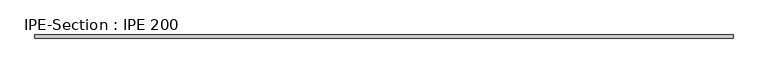
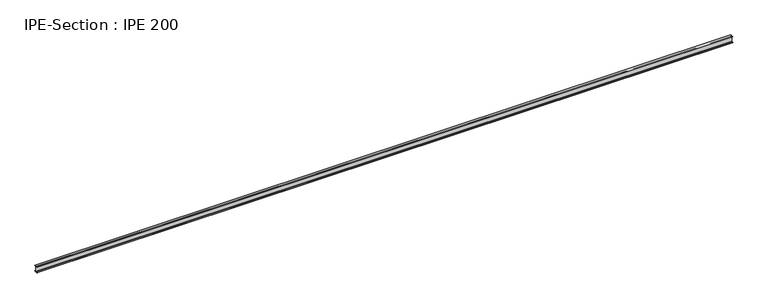
"""IFC4 building model written with IfcOpenShell, lengths in millimetres: beam geometry, IPE-Section : IPE 200."""

from ifc_helpers import new_model, si_unit, point, frame, frame_2d, origin, place, context, project, spatial, polyline, circle_curve, trimmed, segment, composite_curve, outline, extrude, source, transform, mapped, element, save


def ipe_section_ipe_200_6c87a979(model_context):
    return source(origin(), model_context, "Body", "SweptSolid", [
        extrude(outline(composite_curve([segment(polyline([(50.0, -91.5), (50.0, -100.0), (-50.0, -100.0), (-50.0, -91.5), (-14.8, -91.5)]), True, "CONTINUOUS"), segment(trimmed(circle_curve(frame_2d((-14.8, -79.5)), 12.0), [point((-14.8, -91.5))], [point((-2.8, -79.5))], True, "CARTESIAN"), True, "CONTINUOUS"), segment(polyline([(-2.8, -79.5), (-2.8, 79.5)]), True, "CONTINUOUS"), segment(trimmed(circle_curve(frame_2d((-14.8, 79.5)), 12.0), [point((-2.8, 79.5))], [point((-14.8, 91.5))], True, "CARTESIAN"), True, "CONTINUOUS"), segment(polyline([(-14.8, 91.5), (-50.0, 91.5), (-50.0, 100.0), (50.0, 100.0), (50.0, 91.5), (14.8, 91.5)]), True, "CONTINUOUS"), segment(trimmed(circle_curve(frame_2d((14.8, 79.5)), 12.0), [point((14.8, 91.5))], [point((2.8, 79.5))], True, "CARTESIAN"), True, "CONTINUOUS"), segment(polyline([(2.8, 79.5), (2.8, -79.5)]), True, "CONTINUOUS"), segment(trimmed(circle_curve(frame_2d((14.8, -79.5)), 12.0), [point((2.8, -79.5))], [point((14.8, -91.5))], True, "CARTESIAN"), True, "CONTINUOUS"), segment(polyline([(14.8, -91.5), (50.0, -91.5)]), True, "CONTINUOUS")], self_intersect=False)), frame((-11018.55, 0.0, 0.0), z_axis=(1.0, 0.0, 0.0), x_axis=(0.0, 1.0, 0.0)), (0.0, 0.0, 1.0), 22037.1),
    ])


if __name__ == "__main__":
    model = new_model("IFC4")
    model_context = context("Model", 3, world=origin())
    ifc_project = project(units=[si_unit("LENGTHUNIT", "METRE", prefix="MILLI")], contexts=[model_context])
    site = spatial("IfcSite", under=ifc_project)
    building = spatial("IfcBuilding", under=site)
    placement = place(None, origin())
    ipe_section_ipe_200_shape = ipe_section_ipe_200_6c87a979(model_context)
    element("IfcBeam", 1, ObjectType="IPE-Section : IPE 200", at=placement, inside=building, context=model_context, shape_type="MappedRepresentation", body=[
        mapped(ipe_section_ipe_200_shape, transform((0.0, 0.0, 0.0), x_axis=(1.0, 0.0, 0.0), y_axis=(0.0, 1.0, 0.0), z_axis=(0.0, 0.0, 1.0))),
    ])
    save(model, "model.ifc")
